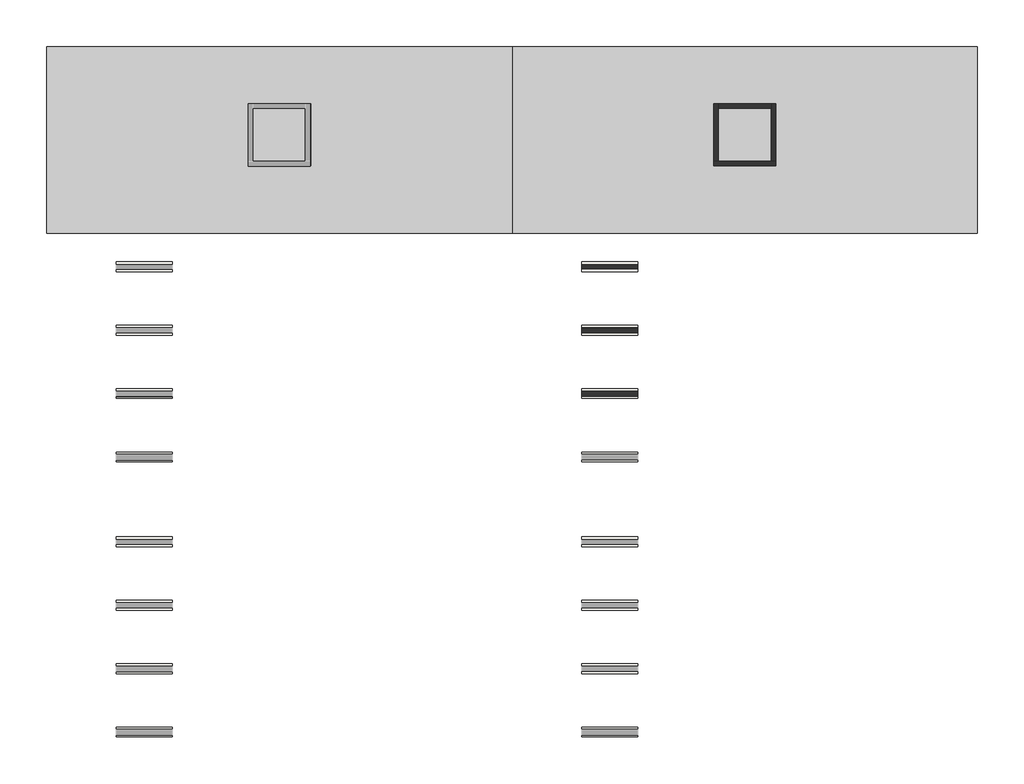
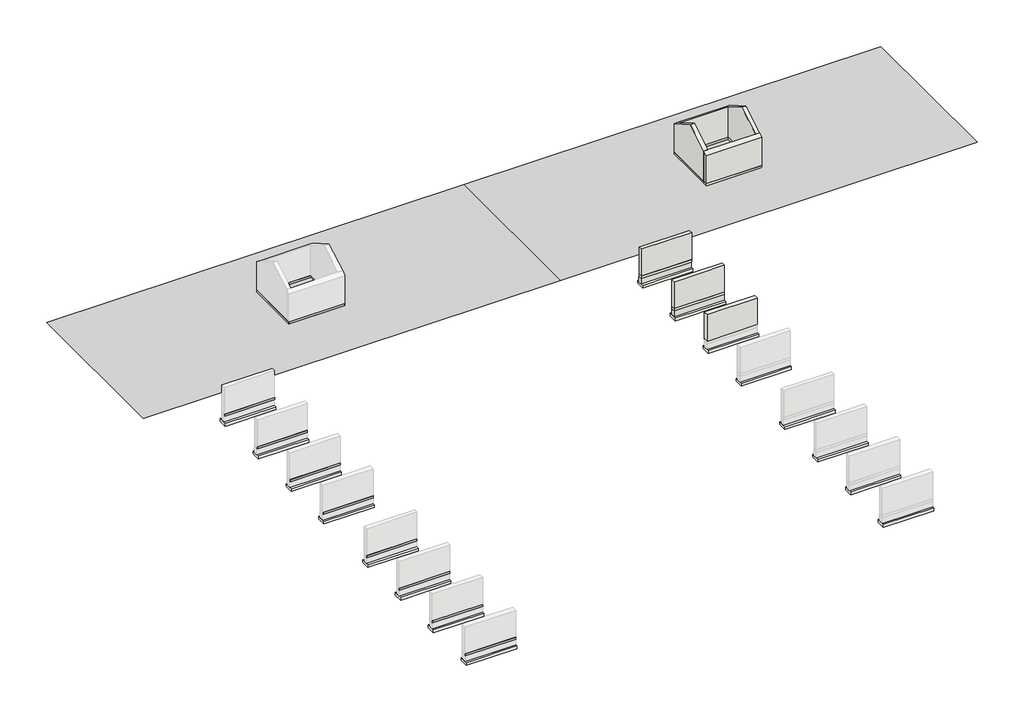
# One storey, part 2 of 2: 24 footings, 19 walls, 17 proxies.
"""IFC4 building model written with IfcOpenShell, lengths in millimetres."""

import ifcopenshell
import ifcopenshell.guid

model = None  # the IFC model being written
_history = None  # IfcOwnerHistory: only IFC2X3 demands one
_inside = {}  # id of a spatial element -> (the spatial element, [elements in it])
_under = {}  # id of a project, library or spatial element -> (it, [spatial elements below it])
_declared = {}  # id of a project -> (the project, [libraries it declares])
_typed = {}  # id of a type object -> (the type object, [elements of that type])
_made_of = {}  # id of a material, layer set ... -> (it, [elements and type objects made of it])


def new_model(schema):
    """Start an empty IFC model of exactly this schema.

    Asked for "IFC4X3", IfcOpenShell would pick the latest addendum, in which some entities
    have other attributes; the version numbers below select the first issue.
    IFC2X3 requires an IfcOwnerHistory on every rooted entity: one is made here for all.
    """
    global model, _history
    if schema == "IFC4X3":
        model = ifcopenshell.file(schema_version=(4, 3, 0, 0))
    else:
        model = ifcopenshell.file(schema=schema)
    _inside.clear()
    _under.clear()
    _declared.clear()
    _typed.clear()
    _made_of.clear()
    _history = None
    if model.schema == "IFC2X3":
        org = make("IfcOrganization", Name="unknown")
        user = make(
            "IfcPersonAndOrganization",
            ThePerson=make("IfcPerson", FamilyName="unknown"),
            TheOrganization=org,
        )
        app = make(
            "IfcApplication",
            ApplicationDeveloper=org,
            Version="unknown",
            ApplicationFullName="unknown",
            ApplicationIdentifier="unknown",
        )
        _history = make(
            "IfcOwnerHistory",
            OwningUser=user,
            OwningApplication=app,
            ChangeAction="ADDED",
            CreationDate=0,
        )
    return model


def make(cls, **values):
    """One entity of the class cls with the attributes given. An attribute that is None is left unset."""
    return model.create_entity(
        cls, **{name: value for name, value in values.items() if value is not None}
    )


def rooted(cls, **values):
    """An entity with a GlobalId (a new one), such as an element, a storey or a relation."""
    return make(cls, GlobalId=ifcopenshell.guid.new(), OwnerHistory=_history, **values)


def si_unit(unit_type, name, prefix=None):
    """IfcSIUnit, for example si_unit("LENGTHUNIT", "METRE", prefix="MILLI")."""
    return make("IfcSIUnit", UnitType=unit_type, Prefix=prefix, Name=name)


def assignment(units):
    """IfcUnitAssignment: the units of a project."""
    return None if units is None else make("IfcUnitAssignment", Units=units)


def point(xyz):
    """IfcCartesianPoint."""
    return None if xyz is None else make("IfcCartesianPoint", Coordinates=xyz)


def direction(xyz):
    """IfcDirection."""
    return None if xyz is None else make("IfcDirection", DirectionRatios=xyz)


def frame(location, z_axis=None, x_axis=None):
    """IfcAxis2Placement3D, a coordinate frame: its origin and axes. An axis left out is left unset."""
    return make(
        "IfcAxis2Placement3D",
        Location=point(location),
        Axis=direction(z_axis),
        RefDirection=direction(x_axis),
    )


def origin():
    """The frame at (0, 0, 0) with its axes left unset."""
    return frame((0.0, 0.0, 0.0))


def place(relative_to, where):
    """IfcLocalPlacement: puts the frame where relative to a parent placement (None: the world)."""
    return make(
        "IfcLocalPlacement", PlacementRelTo=relative_to, RelativePlacement=where
    )


def context(
    kind, dimensions, precision=None, world=None, true_north=None, identifier=None
):
    """IfcGeometricRepresentationContext, for example the 3D "Model" context."""
    return make(
        "IfcGeometricRepresentationContext",
        ContextIdentifier=identifier,
        ContextType=kind,
        CoordinateSpaceDimension=dimensions,
        Precision=precision,
        WorldCoordinateSystem=world,
        TrueNorth=true_north,
    )


def project(units=None, contexts=None):
    """IfcProject with its units and contexts."""
    return rooted(
        "IfcProject",
        Name="project",
        RepresentationContexts=contexts,
        UnitsInContext=assignment(units),
    )


def spatial(cls, under=None, at=None, **own):
    """A site, building, storey or space (cls), placed at a placement, below another one or the project."""
    s = rooted(cls, ObjectPlacement=at, **own)
    if under is not None:
        _under.setdefault(under.id(), (under, []))[1].append(s)
    return s


def polyline(points):
    """IfcPolyline through the points."""
    return make("IfcPolyline", Points=[point(p) for p in points])


def point_list(points):
    """IfcCartesianPointList2D or 3D."""
    cls = (
        "IfcCartesianPointList2D" if len(points[0]) == 2 else "IfcCartesianPointList3D"
    )
    return make(cls, CoordList=points)


def outline(outer, holes=None, kind="AREA"):
    """IfcArbitraryClosedProfileDef: a profile drawn as a closed curve; with holes, ...WithVoids."""
    if holes is None:
        return make("IfcArbitraryClosedProfileDef", ProfileType=kind, OuterCurve=outer)
    return make(
        "IfcArbitraryProfileDefWithVoids",
        ProfileType=kind,
        OuterCurve=outer,
        InnerCurves=holes,
    )


def extrude(swept, where, along, depth):
    """IfcExtrudedAreaSolid: the profile swept, set in the frame where, extruded along a direction by depth."""
    return make(
        "IfcExtrudedAreaSolid",
        SweptArea=swept,
        Position=where,
        ExtrudedDirection=direction(along),
        Depth=depth,
    )


def faces_of(points, faces, orient=None, outer=None):
    """IfcFace entities. A face is a list of loops; a loop is a list of indices into points, from 0.

    orient and outer hold one flag for each loop. By default every Orientation is true, the
    first loop of a face is its IfcFaceOuterBound and the others are IfcFaceBound.
    """
    made = []
    for i, loops in enumerate(faces):
        bounds = []
        for j, loop in enumerate(loops):
            is_outer = j == 0 if outer is None else outer[i][j]
            bounds.append(
                make(
                    "IfcFaceOuterBound" if is_outer else "IfcFaceBound",
                    Bound=make("IfcPolyLoop", Polygon=[points[k] for k in loop]),
                    Orientation=True if orient is None else orient[i][j],
                )
            )
        made.append(make("IfcFace", Bounds=bounds))
    return made


def faceted_brep(points, faces, orient=None, outer=None, voids=None):
    """IfcFacetedBrep: a solid bounded by flat faces; with voids (closed shells), ...WithVoids."""
    shared = [point(p) for p in points]
    hull = make("IfcClosedShell", CfsFaces=faces_of(shared, faces, orient, outer))
    if voids is None:
        return make("IfcFacetedBrep", Outer=hull)
    return make(
        "IfcFacetedBrepWithVoids",
        Outer=hull,
        Voids=[
            make(cls, CfsFaces=faces_of(shared, fs, o, b)) for cls, fs, o, b in voids
        ],
    )


def triangles(points, corners, closed=None, point_numbers=None):
    """IfcTriangulatedFaceSet: each triangle names its three corners, points numbered from 1."""
    return make(
        "IfcTriangulatedFaceSet",
        Coordinates=point_list(points),
        Closed=closed,
        CoordIndex=corners,
        PnIndex=point_numbers,
    )


def shape(context_of_items, identifier, shape_type, items):
    """IfcShapeRepresentation: the items that make up one representation, for example the "Body"."""
    return make(
        "IfcShapeRepresentation",
        ContextOfItems=context_of_items,
        RepresentationIdentifier=identifier,
        RepresentationType=shape_type,
        Items=items,
    )


def made_of(thing, what):
    """Note that an element or type object is made of a material, layer set ...; save() writes the relation."""
    if what is not None:
        _made_of.setdefault(what.id(), (what, []))[1].append(thing)
    return thing


def element(
    cls,
    number,
    at=None,
    inside=None,
    cuts=None,
    type_object=None,
    material=None,
    context=None,
    identifier="Body",
    shape_type=None,
    held_by="IfcProductDefinitionShape",
    body=None,
    shapes=None,
    **own,
):
    """One element of the class cls, such as IfcWall. Its Tag is "e" and its number.

    at: its placement. inside: the storey or other place that contains it. cuts: it is an
    opening in that element (IfcRelVoidsElement). A single representation is given by context,
    identifier, shape_type and body (its items); several are given by shapes. held_by: the class
    of the entity that holds the representations. save() writes the other relations.
    """
    e = rooted(cls, Tag="e%d" % number, ObjectPlacement=at, **own)
    if body is not None:
        shapes = [shape(context, identifier, shape_type, body)]
    if shapes is not None:
        e.Representation = make(held_by, Representations=shapes)
    if inside is not None:
        _inside.setdefault(inside.id(), (inside, []))[1].append(e)
    if cuts is not None:
        rooted(
            "IfcRelVoidsElement", RelatingBuildingElement=cuts, RelatedOpeningElement=e
        )
    if type_object is not None:
        _typed.setdefault(type_object.id(), (type_object, []))[1].append(e)
    return made_of(e, material)


def aggregate(whole, parts):
    """IfcRelAggregates: a whole, such as a stair, and the parts it consists of."""
    return rooted("IfcRelAggregates", RelatingObject=whole, RelatedObjects=parts)


def save(model, path):
    """Write the relations noted so far, then the file.

    IfcRelAggregates (storeys below a building ...), IfcRelContainedInSpatialStructure (elements
    in a storey), IfcRelDefinesByType, IfcRelAssociatesMaterial and IfcRelDeclares: one each for
    every whole, place, type object, material and project.
    """
    for whole, parts in _under.values():
        aggregate(whole, parts)
    for where, things in _inside.values():
        rooted(
            "IfcRelContainedInSpatialStructure",
            RelatedElements=things,
            RelatingStructure=where,
        )
    for kind, things in _typed.values():
        rooted("IfcRelDefinesByType", RelatedObjects=things, RelatingType=kind)
    for what, things in _made_of.values():
        rooted("IfcRelAssociatesMaterial", RelatedObjects=things, RelatingMaterial=what)
    for by, libraries in _declared.values():
        rooted("IfcRelDeclares", RelatingContext=by, RelatedDefinitions=libraries)
    model.write(path)


model = new_model("IFC4")

# Units and contexts
model_context = context("Model", 3, world=origin())
ifc_project = project(units=[si_unit("LENGTHUNIT", "METRE", prefix="MILLI")], contexts=[model_context])

# Site, building, storey
site = spatial("IfcSite", under=ifc_project)
building = spatial("IfcBuilding", under=site)
storey = spatial("IfcBuildingStorey", under=building, Elevation=-900.0)

# Proxies
placement = place(None, origin())
element("IfcBuildingElementProxy", 1, Name="Slab Edges", at=placement, inside=storey, context=model_context, shape_type="Brep", body=[
    faceted_brep([(30852.1158978, 58986.4236863, 0.0), (30827.1158978, 59011.4236863, 0.0), (30827.1158978, 53961.4236863, 0.0), (30852.1158978, 53986.4236863, 0.0), (30852.1158978, 58986.4236863, -275.0), (30852.1158978, 53986.4236863, -275.0), (30827.1158978, 59011.4236863, -275.0), (30827.1158978, 53961.4236863, -275.0), (35877.1158978, 53961.4236863, 0.0), (35852.1158978, 53986.4236863, 0.0), (35852.1158978, 53986.4236863, -275.0), (35877.1158978, 53961.4236863, -275.0), (35877.1158978, 59011.4236863, 0.0), (35852.1158978, 58986.4236863, 0.0), (35852.1158978, 58986.4236863, -275.0), (35877.1158978, 59011.4236863, -275.0)], [[[0, 1, 2, 3]], [[4, 0, 3, 5]], [[6, 4, 5, 7]], [[1, 6, 7, 2]], [[3, 2, 8, 9]], [[5, 3, 9, 10]], [[7, 5, 10, 11]], [[2, 7, 11, 8]], [[9, 8, 12, 13]], [[10, 9, 13, 14]], [[11, 10, 14, 15]], [[8, 11, 15, 12]], [[1, 0, 13, 12]], [[0, 4, 14, 13]], [[4, 6, 15, 14]], [[6, 1, 12, 15]]]),
])
element("IfcBuildingElementProxy", 2, Name="Wall Sweeps", at=placement, inside=storey, context=model_context, shape_type="Brep", body=[
    faceted_brep([(30403.1158978, 53537.4236863, 5.0), (30427.1158978, 53561.4236863, 5.0), (30427.1158978, 53561.4236863, -225.0), (30398.1158978, 53532.4236863, -225.0), (30398.1158978, 53532.4236863, -3.0), (36277.1158978, 53537.4236863, 5.0), (36277.1158978, 53532.4236863, -3.0), (36277.1158978, 53532.4236863, -225.0), (36277.1158978, 53561.4236863, -225.0), (36277.1158978, 53561.4236863, 5.0)], [[[0, 1, 2, 3, 4]], [[5, 6, 7, 8, 9]], [[0, 4, 6, 5]], [[4, 3, 7, 6]], [[3, 2, 8, 7]], [[2, 1, 9, 8]], [[1, 0, 5, 9]]]),
])
element("IfcBuildingElementProxy", 3, Name="Wall Sweeps", at=placement, inside=storey, context=model_context, shape_type="Brep", body=[
    faceted_brep([(30403.1158978, 59435.4236863, 5.0), (30427.1158978, 59411.4236863, 5.0), (30427.1158978, 59411.4236863, -225.0), (30398.1158978, 59440.4236863, -225.0), (30398.1158978, 59440.4236863, -3.0), (30403.1158978, 53537.4236863, 5.0), (30398.1158978, 53532.4236863, -3.0), (30398.1158978, 53532.4236863, -225.0), (30427.1158978, 53561.4236863, -225.0), (30427.1158978, 53561.4236863, 5.0)], [[[0, 1, 2, 3, 4]], [[5, 6, 7, 8, 9]], [[0, 4, 6, 5]], [[4, 3, 7, 6]], [[3, 2, 8, 7]], [[2, 1, 9, 8]], [[1, 0, 5, 9]]]),
])
element("IfcBuildingElementProxy", 4, Name="Building Element Proxy", at=placement, inside=storey, context=model_context, shape_type="Tessellation", body=[
    triangles([(11352.1163818, 64832.4240967, -235.0312753), (11352.1163818, 47190.421875, -235.0312753), (55352.1143921, 47190.421875, -235.0312753), (55352.1143921, 64832.4240967, -235.0312753)], [[1, 2, 4], [3, 4, 2]], closed=False),
])
element("IfcBuildingElementProxy", 5, Name="Wall Sweeps", at=placement, inside=storey, context=model_context, shape_type="Brep", body=[
    faceted_brep([(35877.1158978, 59435.4236863, 5.0), (35877.1158978, 59411.4236863, 5.0), (35877.1158978, 59411.4236863, -225.0), (35877.1158978, 59440.4236863, -225.0), (35877.1158978, 59440.4236863, -3.0), (30403.1158978, 59435.4236863, 5.0), (30398.1158978, 59440.4236863, -3.0), (30398.1158978, 59440.4236863, -225.0), (30427.1158978, 59411.4236863, -225.0), (30427.1158978, 59411.4236863, 5.0)], [[[0, 1, 2, 3, 4]], [[5, 6, 7, 8, 9]], [[0, 4, 6, 5]], [[4, 3, 7, 6]], [[3, 2, 8, 7]], [[2, 1, 9, 8]], [[1, 0, 5, 9]]]),
])
element("IfcBuildingElementProxy", 6, Name="Wall Sweeps", at=placement, inside=storey, context=model_context, shape_type="SweptSolid", body=[
    extrude(outline(polyline([(0.0, 36301.1158978), (0.0, 36277.1158978), (-230.0, 36277.1158978), (-230.0, 36306.1158978), (-8.0, 36306.1158978), (0.0, 36301.1158978)])), frame((0.0, 53561.4236863, 0.0), z_axis=(0.0, 1.0, 0.0), x_axis=(0.0, 0.0, 1.0)), (0.0, 0.0, 1.0), 5850.0),
])
element("IfcBuildingElementProxy", 7, Name="Wall Sweeps", at=placement, inside=storey, context=model_context, shape_type="SweptSolid", body=[
    extrude(outline(polyline([(-273.5763137, 5.0), (-249.5763137, 5.0), (-249.5763137, -225.0), (-278.5763137, -225.0), (-278.5763137, -3.0), (-273.5763137, 5.0)])), frame((17930.0129216, 0.0, 0.0), z_axis=(1.0, 0.0, 0.0), x_axis=(0.0, 1.0, 0.0)), (0.0, 0.0, 1.0), 5310.0),
])
element("IfcBuildingElementProxy", 8, Name="Wall Sweeps", at=placement, inside=storey, context=model_context, shape_type="SweptSolid", body=[
    extrude(outline(polyline([(5751.4236863, 5.0), (5775.4236863, 5.0), (5775.4236863, -225.0), (5746.4236863, -225.0), (5746.4236863, -3.0), (5751.4236863, 5.0)])), frame((17930.0129216, 0.0, 0.0), z_axis=(1.0, 0.0, 0.0), x_axis=(0.0, 1.0, 0.0)), (0.0, 0.0, 1.0), 5310.0),
])
element("IfcBuildingElementProxy", 9, Name="Wall Sweeps", at=placement, inside=storey, context=model_context, shape_type="SweptSolid", body=[
    extrude(outline(polyline([(11776.4236863, 5.0), (11800.4236863, 5.0), (11800.4236863, -225.0), (11771.4236863, -225.0), (11771.4236863, -3.0), (11776.4236863, 5.0)])), frame((17930.0129216, 0.0, 0.0), z_axis=(1.0, 0.0, 0.0), x_axis=(0.0, 1.0, 0.0)), (0.0, 0.0, 1.0), 5310.0),
])
element("IfcBuildingElementProxy", 10, Name="Wall Sweeps", at=placement, inside=storey, context=model_context, shape_type="SweptSolid", body=[
    extrude(outline(polyline([(25726.4236863, 5.0), (25750.4236863, 5.0), (25750.4236863, -225.0), (25721.4236863, -225.0), (25721.4236863, -3.0), (25726.4236863, 5.0)])), frame((17930.0129216, 0.0, 0.0), z_axis=(1.0, 0.0, 0.0), x_axis=(0.0, 1.0, 0.0)), (0.0, 0.0, 1.0), 5310.0),
])
element("IfcBuildingElementProxy", 11, Name="Wall Sweeps", at=placement, inside=storey, context=model_context, shape_type="SweptSolid", body=[
    extrude(outline(polyline([(31751.4236863, 5.0), (31775.4236863, 5.0), (31775.4236863, -225.0), (31746.4236863, -225.0), (31746.4236863, -3.0), (31751.4236863, 5.0)])), frame((17930.0129216, 0.0, 0.0), z_axis=(1.0, 0.0, 0.0), x_axis=(0.0, 1.0, 0.0)), (0.0, 0.0, 1.0), 5310.0),
])
element("IfcBuildingElementProxy", 12, Name="Wall Sweeps", at=placement, inside=storey, context=model_context, shape_type="SweptSolid", body=[
    extrude(outline(polyline([(37776.4236863, 5.0), (37800.4236863, 5.0), (37800.4236863, -225.0), (37771.4236863, -225.0), (37771.4236863, -3.0), (37776.4236863, 5.0)])), frame((17930.0129216, 0.0, 0.0), z_axis=(1.0, 0.0, 0.0), x_axis=(0.0, 1.0, 0.0)), (0.0, 0.0, 1.0), 5310.0),
])
element("IfcBuildingElementProxy", 13, Name="Wall Sweeps", at=placement, inside=storey, context=model_context, shape_type="SweptSolid", body=[
    extrude(outline(polyline([(43781.4236863, 5.0), (43805.4236863, 5.0), (43805.4236863, -225.0), (43776.4236863, -225.0), (43776.4236863, -3.0), (43781.4236863, 5.0)])), frame((17930.0129216, 0.0, 0.0), z_axis=(1.0, 0.0, 0.0), x_axis=(0.0, 1.0, 0.0)), (0.0, 0.0, 1.0), 5310.0),
])
element("IfcBuildingElementProxy", 14, Name="Wall Sweeps", at=placement, inside=storey, context=model_context, shape_type="SweptSolid", body=[
    extrude(outline(polyline([(17771.4236863, 5.0), (17795.4236863, 5.0), (17795.4236863, -225.0), (17766.4236863, -225.0), (17766.4236863, -3.0), (17771.4236863, 5.0)])), frame((17930.0129216, 0.0, 0.0), z_axis=(1.0, 0.0, 0.0), x_axis=(0.0, 1.0, 0.0)), (0.0, 0.0, 1.0), 5310.0),
])
element("IfcBuildingElementProxy", 15, Name="Slab Edges", at=placement, inside=storey, context=model_context, shape_type="Brep", body=[
    faceted_brep([(74852.1158978, 58986.4236863, 0.0), (74827.1158978, 59011.4236863, 0.0), (74827.1158978, 53961.4236863, 0.0), (74852.1158978, 53986.4236863, 0.0), (74852.1158978, 58986.4236863, -275.0), (74852.1158978, 53986.4236863, -275.0), (74827.1158978, 59011.4236863, -275.0), (74827.1158978, 53961.4236863, -275.0), (79877.1158978, 53961.4236863, 0.0), (79852.1158978, 53986.4236863, 0.0), (79852.1158978, 53986.4236863, -275.0), (79877.1158978, 53961.4236863, -275.0), (79877.1158978, 59011.4236863, 0.0), (79852.1158978, 58986.4236863, 0.0), (79852.1158978, 58986.4236863, -275.0), (79877.1158978, 59011.4236863, -275.0)], [[[0, 1, 2, 3]], [[4, 0, 3, 5]], [[6, 4, 5, 7]], [[1, 6, 7, 2]], [[3, 2, 8, 9]], [[5, 3, 9, 10]], [[7, 5, 10, 11]], [[2, 7, 11, 8]], [[9, 8, 12, 13]], [[10, 9, 13, 14]], [[11, 10, 14, 15]], [[8, 11, 15, 12]], [[1, 0, 13, 12]], [[0, 4, 14, 13]], [[4, 6, 15, 14]], [[6, 1, 12, 15]]]),
])
element("IfcBuildingElementProxy", 16, Name="Building Element Proxy", at=placement, inside=storey, context=model_context, shape_type="Tessellation", body=[
    triangles([(55352.1143921, 64832.4240967, -235.0312753), (55352.1143921, 47190.421875, -235.0312753), (99352.1124023, 47190.421875, -235.0312753), (99352.1124023, 64832.4240967, -235.0312753)], [[1, 2, 4], [3, 4, 2]], closed=False),
])
element("IfcBuildingElementProxy", 17, Name="Slab Edge_HardCore Fill_A1", ObjectType="Slab Edge_HardCore Fill_A1", at=placement, inside=storey, context=model_context, shape_type="Brep", body=[
    faceted_brep([(74867.1158978, 58971.4236863, -526.0), (75340.1158978, 58498.4236863, -526.0), (79364.1158978, 58498.4236863, -526.0), (79837.1158978, 58971.4236863, -526.0), (74867.1158978, 58971.4236863, -900.0), (79837.1158978, 58971.4236863, -900.0), (75103.1158978, 58735.4236863, -900.0), (79601.1158978, 58735.4236863, -900.0), (79364.1158978, 54474.4236863, -526.0), (79837.1158978, 54001.4236863, -526.0), (79837.1158978, 54001.4236863, -900.0), (79601.1158978, 54237.4236863, -900.0), (75340.1158978, 54474.4236863, -526.0), (74867.1158978, 54001.4236863, -526.0), (74867.1158978, 54001.4236863, -900.0), (75103.1158978, 54237.4236863, -900.0), (75103.1158978, 54237.4236863, -767.0), (75103.1158978, 58735.4236863, -767.0), (79601.1158978, 58735.4236863, -767.0), (79601.1158978, 54237.4236863, -767.0)], [[[0, 1, 2, 3]], [[4, 0, 3, 5]], [[6, 4, 5, 7]], [[3, 2, 8, 9]], [[5, 3, 9, 10]], [[7, 5, 10, 11]], [[9, 8, 12, 13]], [[10, 9, 13, 14]], [[11, 10, 14, 15]], [[13, 12, 1, 0]], [[14, 13, 0, 4]], [[15, 14, 4, 6]], [[16, 15, 6, 17]], [[12, 16, 17, 1]], [[17, 6, 7, 18]], [[1, 17, 18, 2]], [[18, 7, 11, 19]], [[2, 18, 19, 8]], [[19, 11, 15, 16]], [[8, 19, 16, 12]]]),
])

# Footings
element("IfcFooting", 18, ObjectType="1320x440mm RC Foundation", at=placement, inside=storey, context=model_context, shape_type="Brep", body=[
    faceted_brep([(30189.9158978, 53324.2236863, -900.0), (36514.3158978, 53324.2236863, -900.0), (36514.3158978, 54238.6236863, -900.0), (35599.9158978, 54238.6236863, -900.0), (31104.3158978, 54238.6236863, -900.0), (30189.9158978, 54238.6236863, -900.0), (30189.9158978, 54238.6236863, -1204.8), (36514.3158978, 54238.6236863, -1204.8), (35599.9158978, 54238.6236863, -1204.8), (31104.3158978, 54238.6236863, -1204.8), (30189.9158978, 53324.2236863, -1204.8), (36514.3158978, 53324.2236863, -1204.8)], [[[0, 1, 2, 3, 4, 5]], [[6, 5, 4, 3, 2, 7, 8, 9]], [[10, 6, 9, 8, 7, 11]], [[0, 10, 11, 1]], [[0, 5, 6, 10]], [[2, 1, 11, 7]]]),
])
element("IfcFooting", 19, ObjectType="1320x440mm RC Foundation", at=placement, inside=storey, context=model_context, shape_type="Brep", body=[
    faceted_brep([(31104.3158978, 59648.6236863, -900.0), (30189.9158978, 59648.6236863, -900.0), (30189.9158978, 54238.6236863, -900.0), (31104.3158978, 54238.6236863, -900.0), (31104.3158978, 58734.2236863, -900.0), (31104.3158978, 59648.6236863, -1204.8), (31104.3158978, 54238.6236863, -1204.8), (31104.3158978, 58734.2236863, -1204.8), (30189.9158978, 59648.6236863, -1204.8), (30189.9158978, 54238.6236863, -1204.8)], [[[0, 1, 2, 3, 4]], [[5, 0, 4, 3, 6, 7]], [[8, 5, 7, 6, 9]], [[1, 8, 9, 2]], [[3, 2, 9, 6]], [[1, 0, 5, 8]]]),
])
element("IfcFooting", 20, ObjectType="1320x440mm RC Foundation", at=placement, inside=storey, context=model_context, shape_type="Brep", body=[
    faceted_brep([(36514.3158978, 58734.2236863, -900.0), (36514.3158978, 59648.6236863, -900.0), (31104.3158978, 59648.6236863, -900.0), (31104.3158978, 58734.2236863, -900.0), (35599.9158978, 58734.2236863, -900.0), (36514.3158978, 58734.2236863, -1204.8), (31104.3158978, 58734.2236863, -1204.8), (35599.9158978, 58734.2236863, -1204.8), (36514.3158978, 59648.6236863, -1204.8), (31104.3158978, 59648.6236863, -1204.8)], [[[0, 1, 2, 3, 4]], [[5, 0, 4, 3, 6, 7]], [[8, 5, 7, 6, 9]], [[1, 8, 9, 2]], [[1, 0, 5, 8]], [[3, 2, 9, 6]]]),
])
element("IfcFooting", 21, ObjectType="1320x440mm RC Foundation", at=placement, inside=storey, context=model_context, shape_type="SweptSolid", body=[
    extrude(outline(polyline([(36514.3158978, 54238.6236863), (35599.9158978, 54238.6236863), (35599.9158978, 58734.2236863), (36514.3158978, 58734.2236863), (36514.3158978, 54238.6236863)])), frame((0.0, 0.0, -1204.8), z_axis=(0.0, 0.0, 1.0), x_axis=(1.0, 0.0, 0.0)), (0.0, 0.0, 1.0), 304.8),
])
element("IfcFooting", 22, ObjectType="1320x440mm RC Foundation", at=placement, inside=storey, context=model_context, shape_type="SweptSolid", body=[
    extrude(outline(polyline([(17930.0129216, -436.7763137), (17930.0129216, 477.6236863), (23240.0129216, 477.6236863), (23240.0129216, -436.7763137), (17930.0129216, -436.7763137)])), frame((0.0, 0.0, -1204.8), z_axis=(0.0, 0.0, 1.0), x_axis=(1.0, 0.0, 0.0)), (0.0, 0.0, 1.0), 304.8),
])
element("IfcFooting", 23, ObjectType="1320x440mm RC Foundation", at=placement, inside=storey, context=model_context, shape_type="SweptSolid", body=[
    extrude(outline(polyline([(17930.0129216, 5563.2236863), (17930.0129216, 6477.6236863), (23240.0129216, 6477.6236863), (23240.0129216, 5563.2236863), (17930.0129216, 5563.2236863)])), frame((0.0, 0.0, -1204.8), z_axis=(0.0, 0.0, 1.0), x_axis=(1.0, 0.0, 0.0)), (0.0, 0.0, 1.0), 304.8),
])
element("IfcFooting", 24, ObjectType="1320x440mm RC Foundation", at=placement, inside=storey, context=model_context, shape_type="SweptSolid", body=[
    extrude(outline(polyline([(17930.0129216, 11563.2236863), (17930.0129216, 12477.6236863), (23240.0129216, 12477.6236863), (23240.0129216, 11563.2236863), (17930.0129216, 11563.2236863)])), frame((0.0, 0.0, -1204.8), z_axis=(0.0, 0.0, 1.0), x_axis=(1.0, 0.0, 0.0)), (0.0, 0.0, 1.0), 304.8),
])
element("IfcFooting", 25, ObjectType="1320x440mm RC Foundation", at=placement, inside=storey, context=model_context, shape_type="SweptSolid", body=[
    extrude(outline(polyline([(17930.0129216, 17563.2236863), (17930.0129216, 18477.6236863), (23240.0129216, 18477.6236863), (23240.0129216, 17563.2236863), (17930.0129216, 17563.2236863)])), frame((0.0, 0.0, -1204.8), z_axis=(0.0, 0.0, 1.0), x_axis=(1.0, 0.0, 0.0)), (0.0, 0.0, 1.0), 304.8),
])
element("IfcFooting", 26, ObjectType="1320x440mm RC Foundation", at=placement, inside=storey, context=model_context, shape_type="SweptSolid", body=[
    extrude(outline(polyline([(17930.0129216, 25563.2236863), (17930.0129216, 26477.6236863), (23240.0129216, 26477.6236863), (23240.0129216, 25563.2236863), (17930.0129216, 25563.2236863)])), frame((0.0, 0.0, -1204.8), z_axis=(0.0, 0.0, 1.0), x_axis=(1.0, 0.0, 0.0)), (0.0, 0.0, 1.0), 304.8),
])
element("IfcFooting", 27, ObjectType="1320x440mm RC Foundation", at=placement, inside=storey, context=model_context, shape_type="SweptSolid", body=[
    extrude(outline(polyline([(17930.0129216, 31563.2236863), (17930.0129216, 32477.6236863), (23240.0129216, 32477.6236863), (23240.0129216, 31563.2236863), (17930.0129216, 31563.2236863)])), frame((0.0, 0.0, -1204.8), z_axis=(0.0, 0.0, 1.0), x_axis=(1.0, 0.0, 0.0)), (0.0, 0.0, 1.0), 304.8),
])
element("IfcFooting", 28, ObjectType="1320x440mm RC Foundation", at=placement, inside=storey, context=model_context, shape_type="SweptSolid", body=[
    extrude(outline(polyline([(17930.0129216, 37563.2236863), (17930.0129216, 38477.6236863), (23240.0129216, 38477.6236863), (23240.0129216, 37563.2236863), (17930.0129216, 37563.2236863)])), frame((0.0, 0.0, -1204.8), z_axis=(0.0, 0.0, 1.0), x_axis=(1.0, 0.0, 0.0)), (0.0, 0.0, 1.0), 304.8),
])
element("IfcFooting", 29, ObjectType="1320x440mm RC Foundation", at=placement, inside=storey, context=model_context, shape_type="SweptSolid", body=[
    extrude(outline(polyline([(17930.0129216, 43563.2236863), (17930.0129216, 44477.6236863), (23240.0129216, 44477.6236863), (23240.0129216, 43563.2236863), (17930.0129216, 43563.2236863)])), frame((0.0, 0.0, -1204.8), z_axis=(0.0, 0.0, 1.0), x_axis=(1.0, 0.0, 0.0)), (0.0, 0.0, 1.0), 304.8),
])
element("IfcFooting", 30, ObjectType="1320x440mm RC Foundation", at=placement, inside=storey, context=model_context, shape_type="SweptSolid", body=[
    extrude(outline(polyline([(61930.0129216, -436.7763137), (61930.0129216, 477.6236863), (67240.0129216, 477.6236863), (67240.0129216, -436.7763137), (61930.0129216, -436.7763137)])), frame((0.0, 0.0, -1204.8), z_axis=(0.0, 0.0, 1.0), x_axis=(1.0, 0.0, 0.0)), (0.0, 0.0, 1.0), 304.8),
])
element("IfcFooting", 31, ObjectType="1320x440mm RC Foundation", at=placement, inside=storey, context=model_context, shape_type="SweptSolid", body=[
    extrude(outline(polyline([(61930.0129216, 5563.2236863), (61930.0129216, 6477.6236863), (67240.0129216, 6477.6236863), (67240.0129216, 5563.2236863), (61930.0129216, 5563.2236863)])), frame((0.0, 0.0, -1204.8), z_axis=(0.0, 0.0, 1.0), x_axis=(1.0, 0.0, 0.0)), (0.0, 0.0, 1.0), 304.8),
])
element("IfcFooting", 32, ObjectType="1320x440mm RC Foundation", at=placement, inside=storey, context=model_context, shape_type="SweptSolid", body=[
    extrude(outline(polyline([(61930.0129216, 11563.2236863), (61930.0129216, 12477.6236863), (67240.0129216, 12477.6236863), (67240.0129216, 11563.2236863), (61930.0129216, 11563.2236863)])), frame((0.0, 0.0, -1204.8), z_axis=(0.0, 0.0, 1.0), x_axis=(1.0, 0.0, 0.0)), (0.0, 0.0, 1.0), 304.8),
])
element("IfcFooting", 33, ObjectType="1320x440mm RC Foundation", at=placement, inside=storey, context=model_context, shape_type="SweptSolid", body=[
    extrude(outline(polyline([(61930.0129216, 17563.2236863), (61930.0129216, 18477.6236863), (67240.0129216, 18477.6236863), (67240.0129216, 17563.2236863), (61930.0129216, 17563.2236863)])), frame((0.0, 0.0, -1204.8), z_axis=(0.0, 0.0, 1.0), x_axis=(1.0, 0.0, 0.0)), (0.0, 0.0, 1.0), 304.8),
])
element("IfcFooting", 34, ObjectType="1320x440mm RC Foundation", at=placement, inside=storey, context=model_context, shape_type="SweptSolid", body=[
    extrude(outline(polyline([(61930.0129216, 25563.2236863), (61930.0129216, 26477.6236863), (67240.0129216, 26477.6236863), (67240.0129216, 25563.2236863), (61930.0129216, 25563.2236863)])), frame((0.0, 0.0, -1204.8), z_axis=(0.0, 0.0, 1.0), x_axis=(1.0, 0.0, 0.0)), (0.0, 0.0, 1.0), 304.8),
])
element("IfcFooting", 35, ObjectType="1320x440mm RC Foundation", at=placement, inside=storey, context=model_context, shape_type="SweptSolid", body=[
    extrude(outline(polyline([(61930.0129216, 31563.2236863), (61930.0129216, 32477.6236863), (67240.0129216, 32477.6236863), (67240.0129216, 31563.2236863), (61930.0129216, 31563.2236863)])), frame((0.0, 0.0, -1204.8), z_axis=(0.0, 0.0, 1.0), x_axis=(1.0, 0.0, 0.0)), (0.0, 0.0, 1.0), 304.8),
])
element("IfcFooting", 36, ObjectType="1320x440mm RC Foundation", at=placement, inside=storey, context=model_context, shape_type="SweptSolid", body=[
    extrude(outline(polyline([(61930.0129216, 37563.2236863), (61930.0129216, 38477.6236863), (67240.0129216, 38477.6236863), (67240.0129216, 37563.2236863), (61930.0129216, 37563.2236863)])), frame((0.0, 0.0, -1204.8), z_axis=(0.0, 0.0, 1.0), x_axis=(1.0, 0.0, 0.0)), (0.0, 0.0, 1.0), 304.8),
])
element("IfcFooting", 37, ObjectType="1320x440mm RC Foundation", at=placement, inside=storey, context=model_context, shape_type="SweptSolid", body=[
    extrude(outline(polyline([(61930.0129216, 43563.2236863), (61930.0129216, 44477.6236863), (67240.0129216, 44477.6236863), (67240.0129216, 43563.2236863), (61930.0129216, 43563.2236863)])), frame((0.0, 0.0, -1204.8), z_axis=(0.0, 0.0, 1.0), x_axis=(1.0, 0.0, 0.0)), (0.0, 0.0, 1.0), 304.8),
])
element("IfcFooting", 38, ObjectType="1320x440mm RC Foundation", at=placement, inside=storey, context=model_context, shape_type="Brep", body=[
    faceted_brep([(74189.9158978, 53324.2236863, -900.0), (80514.3158978, 53324.2236863, -900.0), (80514.3158978, 54238.6236863, -900.0), (79599.9158978, 54238.6236863, -900.0), (75104.3158978, 54238.6236863, -900.0), (74189.9158978, 54238.6236863, -900.0), (74189.9158978, 54238.6236863, -1204.8), (80514.3158978, 54238.6236863, -1204.8), (79599.9158978, 54238.6236863, -1204.8), (75104.3158978, 54238.6236863, -1204.8), (74189.9158978, 53324.2236863, -1204.8), (80514.3158978, 53324.2236863, -1204.8)], [[[0, 1, 2, 3, 4, 5]], [[6, 5, 4, 3, 2, 7, 8, 9]], [[10, 6, 9, 8, 7, 11]], [[0, 10, 11, 1]], [[0, 5, 6, 10]], [[2, 1, 11, 7]]]),
])
element("IfcFooting", 39, ObjectType="1320x440mm RC Foundation", at=placement, inside=storey, context=model_context, shape_type="Brep", body=[
    faceted_brep([(75104.3158978, 59648.6236863, -900.0), (74189.9158978, 59648.6236863, -900.0), (74189.9158978, 54238.6236863, -900.0), (75104.3158978, 54238.6236863, -900.0), (75104.3158978, 58734.2236863, -900.0), (75104.3158978, 59648.6236863, -1204.8), (75104.3158978, 54238.6236863, -1204.8), (75104.3158978, 58734.2236863, -1204.8), (74189.9158978, 59648.6236863, -1204.8), (74189.9158978, 54238.6236863, -1204.8)], [[[0, 1, 2, 3, 4]], [[5, 0, 4, 3, 6, 7]], [[8, 5, 7, 6, 9]], [[1, 8, 9, 2]], [[3, 2, 9, 6]], [[1, 0, 5, 8]]]),
])
element("IfcFooting", 40, ObjectType="1320x440mm RC Foundation", at=placement, inside=storey, context=model_context, shape_type="Brep", body=[
    faceted_brep([(80514.3158978, 58734.2236863, -900.0), (80514.3158978, 59648.6236863, -900.0), (75104.3158978, 59648.6236863, -900.0), (75104.3158978, 58734.2236863, -900.0), (79599.9158978, 58734.2236863, -900.0), (80514.3158978, 58734.2236863, -1204.8), (75104.3158978, 58734.2236863, -1204.8), (79599.9158978, 58734.2236863, -1204.8), (80514.3158978, 59648.6236863, -1204.8), (75104.3158978, 59648.6236863, -1204.8)], [[[0, 1, 2, 3, 4]], [[5, 0, 4, 3, 6, 7]], [[8, 5, 7, 6, 9]], [[1, 8, 9, 2]], [[1, 0, 5, 8]], [[3, 2, 9, 6]]]),
])
element("IfcFooting", 41, ObjectType="1320x440mm RC Foundation", at=placement, inside=storey, context=model_context, shape_type="SweptSolid", body=[
    extrude(outline(polyline([(80514.3158978, 54238.6236863), (79599.9158978, 54238.6236863), (79599.9158978, 58734.2236863), (80514.3158978, 58734.2236863), (80514.3158978, 54238.6236863)])), frame((0.0, 0.0, -1204.8), z_axis=(0.0, 0.0, 1.0), x_axis=(1.0, 0.0, 0.0)), (0.0, 0.0, 1.0), 304.8),
])

# Walls
element("IfcWall", 42, at=placement, inside=storey, context=model_context, shape_type="Brep", body=[
    faceted_brep([(61930.0129216, 31775.4236863, 5.0), (67240.0129216, 31775.4236863, 5.0), (67240.0129216, 31775.4236863, 3000.0), (61930.0129216, 31775.4236863, 3000.0), (61930.0129216, 32240.4236863, 5.0), (61930.0129216, 32240.4236863, 14.5), (61930.0129216, 32240.4236863, 134.5), (61930.0129216, 32240.4236863, 3000.0), (67240.0129216, 32240.4236863, 3000.0), (67240.0129216, 32240.4236863, 134.5), (67240.0129216, 32240.4236863, 14.5), (67240.0129216, 32240.4236863, 5.0), (61930.0129216, 32225.4236863, 5.0), (67240.0129216, 32225.4236863, 5.0)], [[[0, 1, 2, 3]], [[4, 5, 6, 7, 8, 9, 10, 11]], [[1, 0, 12, 4, 11, 13]], [[2, 1, 13, 11, 10, 9, 8]], [[3, 2, 8, 7]], [[0, 3, 7, 6, 5, 4, 12]]]),
])
element("IfcWall", 43, at=placement, inside=storey, context=model_context, shape_type="Brep", body=[
    faceted_brep([(61930.0129216, 37800.4236863, -900.0), (67240.0129216, 37800.4236863, -900.0), (67240.0129216, 37800.4236863, -278.0), (61930.0129216, 37800.4236863, -278.0), (61930.0129216, 38240.4236863, -900.0), (61930.0129216, 38240.4236863, -278.0), (67240.0129216, 38240.4236863, -278.0), (67240.0129216, 38240.4236863, -900.0), (67240.0129216, 38200.4236863, -278.0), (61930.0129216, 38200.4236863, -278.0)], [[[0, 1, 2, 3]], [[4, 5, 6, 7]], [[1, 0, 4, 7]], [[2, 1, 7, 6, 8]], [[3, 2, 8, 6, 5, 9]], [[0, 3, 9, 5, 4]]]),
])
element("IfcWall", 44, at=placement, inside=storey, context=model_context, shape_type="SweptSolid", body=[
    extrude(outline(polyline([(67240.0129216, 37800.4236863), (61930.0129216, 37800.4236863), (61930.0129216, 38200.4236863), (67240.0129216, 38200.4236863), (67240.0129216, 37800.4236863)])), frame((0.0, 0.0, -278.0), z_axis=(0.0, 0.0, 1.0), x_axis=(1.0, 0.0, 0.0)), (0.0, 0.0, 1.0), 283.0),
])
element("IfcWall", 45, at=placement, inside=storey, context=model_context, shape_type="Brep", body=[
    faceted_brep([(61930.0129216, 37800.4236863, 5.0), (67240.0129216, 37800.4236863, 5.0), (67240.0129216, 37800.4236863, 3000.0), (61930.0129216, 37800.4236863, 3000.0), (61930.0129216, 38215.4236863, 5.0), (61930.0129216, 38215.4236863, 14.5), (61930.0129216, 38215.4236863, 134.5), (61930.0129216, 38215.4236863, 3000.0), (67240.0129216, 38215.4236863, 3000.0), (67240.0129216, 38215.4236863, 134.5), (67240.0129216, 38215.4236863, 14.5), (67240.0129216, 38215.4236863, 5.0), (61930.0129216, 38200.4236863, 5.0), (67240.0129216, 38200.4236863, 5.0)], [[[0, 1, 2, 3]], [[4, 5, 6, 7, 8, 9, 10, 11]], [[1, 0, 12, 4, 11, 13]], [[2, 1, 13, 11, 10, 9, 8]], [[3, 2, 8, 7]], [[0, 3, 7, 6, 5, 4, 12]]]),
])
element("IfcWall", 46, at=placement, inside=storey, context=model_context, shape_type="Brep", body=[
    faceted_brep([(61930.0129216, 43825.4236863, -900.0), (67240.0129216, 43825.4236863, -900.0), (67240.0129216, 43825.4236863, -278.0), (61930.0129216, 43825.4236863, -278.0), (61930.0129216, 44215.4236863, -900.0), (61930.0129216, 44215.4236863, -278.0), (67240.0129216, 44215.4236863, -278.0), (67240.0129216, 44215.4236863, -900.0), (67240.0129216, 44175.4236863, -278.0), (61930.0129216, 44175.4236863, -278.0)], [[[0, 1, 2, 3]], [[4, 5, 6, 7]], [[1, 0, 4, 7]], [[2, 1, 7, 6, 8]], [[3, 2, 8, 6, 5, 9]], [[0, 3, 9, 5, 4]]]),
])
element("IfcWall", 47, at=placement, inside=storey, context=model_context, shape_type="Brep", body=[
    faceted_brep([(61930.0129216, 43805.4236863, -278.0), (67240.0129216, 43805.4236863, -278.0), (67240.0129216, 43805.4236863, 5.0), (61930.0129216, 43805.4236863, 5.0), (61930.0129216, 44175.4236863, -278.0), (61930.0129216, 44175.4236863, 5.0), (67240.0129216, 44175.4236863, 5.0), (67240.0129216, 44175.4236863, -278.0), (61930.0129216, 43825.4236863, -278.0), (67240.0129216, 43825.4236863, -278.0)], [[[0, 1, 2, 3]], [[4, 5, 6, 7]], [[1, 0, 8, 4, 7, 9]], [[2, 1, 9, 7, 6]], [[3, 2, 6, 5]], [[0, 3, 5, 4, 8]]]),
])
element("IfcWall", 48, at=placement, inside=storey, context=model_context, shape_type="Brep", body=[
    faceted_brep([(61930.0129216, 43805.4236863, 5.0), (67240.0129216, 43805.4236863, 5.0), (67240.0129216, 43805.4236863, 3000.0), (61930.0129216, 43805.4236863, 3000.0), (61930.0129216, 44190.4236863, 5.0), (61930.0129216, 44190.4236863, 14.5), (61930.0129216, 44190.4236863, 134.5), (61930.0129216, 44190.4236863, 3000.0), (67240.0129216, 44190.4236863, 3000.0), (67240.0129216, 44190.4236863, 134.5), (67240.0129216, 44190.4236863, 14.5), (67240.0129216, 44190.4236863, 5.0), (61930.0129216, 44175.4236863, 5.0), (67240.0129216, 44175.4236863, 5.0)], [[[0, 1, 2, 3]], [[4, 5, 6, 7, 8, 9, 10, 11]], [[1, 0, 12, 4, 11, 13]], [[2, 1, 13, 11, 10, 9, 8]], [[3, 2, 8, 7]], [[0, 3, 7, 6, 5, 4, 12]]]),
])
element("IfcWall", 49, at=placement, inside=storey, context=model_context, shape_type="Brep", body=[
    faceted_brep([(74427.1158978, 53561.4236863, -900.0), (80277.1158978, 53561.4236863, -900.0), (80277.1158978, 53561.4236863, -278.0), (74427.1158978, 53561.4236863, -278.0), (74427.1158978, 54001.4236863, -900.0), (74427.1158978, 54001.4236863, -278.0), (74867.1158978, 54001.4236863, -278.0), (79837.1158978, 54001.4236863, -278.0), (80277.1158978, 54001.4236863, -278.0), (80277.1158978, 54001.4236863, -900.0), (79837.1158978, 54001.4236863, -900.0), (74867.1158978, 54001.4236863, -900.0), (74427.1158978, 53961.4236863, -278.0), (80277.1158978, 53961.4236863, -278.0)], [[[0, 1, 2, 3]], [[4, 5, 6, 7, 8, 9, 10, 11]], [[1, 0, 4, 11, 10, 9]], [[0, 3, 12, 5, 4]], [[2, 1, 9, 8, 13]], [[3, 2, 13, 8, 7, 6, 5, 12]]]),
])
element("IfcWall", 50, at=placement, inside=storey, context=model_context, shape_type="Brep", body=[
    faceted_brep([(74427.1158978, 53561.4236863, -278.0), (80277.1158978, 53561.4236863, -278.0), (80277.1158978, 53561.4236863, 5.0), (74427.1158978, 53561.4236863, 5.0), (74427.1158978, 53961.4236863, -278.0), (74427.1158978, 53961.4236863, 5.0), (74827.1158978, 53961.4236863, 5.0), (79877.1158978, 53961.4236863, 5.0), (80277.1158978, 53961.4236863, 5.0), (80277.1158978, 53961.4236863, -278.0), (79877.1158978, 53961.4236863, -278.0), (74827.1158978, 53961.4236863, -278.0)], [[[0, 1, 2, 3]], [[4, 5, 6, 7, 8, 9, 10, 11]], [[1, 0, 4, 11, 10, 9]], [[0, 3, 5, 4]], [[2, 1, 9, 8]], [[3, 2, 8, 7, 6, 5]]]),
])
element("IfcWall", 51, at=placement, inside=storey, context=model_context, shape_type="Brep", body=[
    faceted_brep([(74427.1158978, 53561.4236863, 5.0), (80277.1158978, 53561.4236863, 5.0), (80277.1158978, 53561.4236863, 3166.8542278), (74427.1158978, 53561.4236863, 3166.8542278), (80277.1158978, 53976.4236863, 5.0), (79862.1158978, 53976.4236863, 5.0), (74842.1158978, 53976.4236863, 5.0), (74427.1158978, 53976.4236863, 5.0), (74427.1158978, 53976.4236863, 3406.4545895), (74527.1158978, 53976.4236863, 3406.4545895), (74842.1158978, 53976.4236863, 3406.4545895), (79862.1158978, 53976.4236863, 3406.4545895), (80177.1158978, 53976.4236863, 3406.4545895), (80277.1158978, 53976.4236863, 3406.4545895), (74427.1158978, 53961.4236863, 5.0), (80277.1158978, 53961.4236863, 5.0)], [[[0, 1, 2, 3]], [[4, 5, 6, 7, 8, 9, 10, 11, 12, 13]], [[1, 0, 14, 7, 6, 5, 4, 15]], [[0, 3, 8, 7, 14]], [[2, 1, 15, 4, 13]], [[3, 2, 13, 12, 11, 10, 9, 8]]]),
])
element("IfcWall", 52, at=placement, inside=storey, context=model_context, shape_type="Brep", body=[
    faceted_brep([(74427.1158978, 59411.4236863, -900.0), (74427.1158978, 54001.4236863, -900.0), (74427.1158978, 54001.4236863, -278.0), (74427.1158978, 59411.4236863, -278.0), (74867.1158978, 59411.4236863, -900.0), (74867.1158978, 59411.4236863, -278.0), (74867.1158978, 58971.4236863, -278.0), (74867.1158978, 54001.4236863, -278.0), (74867.1158978, 54001.4236863, -900.0), (74867.1158978, 58971.4236863, -900.0), (74827.1158978, 59411.4236863, -278.0)], [[[0, 1, 2, 3]], [[4, 5, 6, 7, 8, 9]], [[1, 0, 4, 9, 8]], [[2, 1, 8, 7]], [[0, 3, 10, 5, 4]], [[3, 2, 7, 6, 5, 10]]]),
])
element("IfcWall", 53, at=placement, inside=storey, context=model_context, shape_type="Brep", body=[
    faceted_brep([(74427.1158978, 59411.4236863, -278.0), (74427.1158978, 54001.4236863, -278.0), (74427.1158978, 53961.4236863, -278.0), (74427.1158978, 53961.4236863, 5.0), (74427.1158978, 53976.4236863, 5.0), (74427.1158978, 59411.4236863, 5.0), (74827.1158978, 59411.4236863, -278.0), (74827.1158978, 59411.4236863, 5.0), (74827.1158978, 59011.4236863, 5.0), (74827.1158978, 53961.4236863, 5.0), (74827.1158978, 53961.4236863, -278.0), (74827.1158978, 59011.4236863, -278.0)], [[[0, 1, 2, 3, 4, 5]], [[6, 7, 8, 9, 10, 11]], [[2, 1, 0, 6, 11, 10]], [[3, 2, 10, 9]], [[0, 5, 7, 6]], [[5, 4, 3, 9, 8, 7]]]),
])
element("IfcWall", 54, at=placement, inside=storey, context=model_context, shape_type="Brep", body=[
    faceted_brep([(74427.1158978, 59411.4236863, 5.0), (74427.1158978, 53976.4236863, 5.0), (74427.1158978, 53976.4236863, 3406.4545895), (74427.1158978, 56486.4236863, 4855.6037652), (74427.1158978, 59411.4236863, 3166.8542278), (74842.1158978, 59411.4236863, 5.0), (74842.1158978, 59411.4236863, 3166.8542278), (74842.1158978, 58996.4236863, 3406.4545895), (74842.1158978, 56486.4236863, 4855.6037652), (74842.1158978, 53976.4236863, 3406.4545895), (74842.1158978, 53976.4236863, 5.0), (74842.1158978, 58996.4236863, 5.0), (74827.1158978, 59411.4236863, 5.0)], [[[0, 1, 2, 3, 4]], [[5, 6, 7, 8, 9, 10, 11]], [[1, 0, 12, 5, 11, 10]], [[2, 1, 10, 9]], [[0, 4, 6, 5, 12]], [[4, 3, 8, 7, 6]], [[3, 2, 9, 8]]]),
])
element("IfcWall", 55, at=placement, inside=storey, context=model_context, shape_type="SweptSolid", body=[
    extrude(outline(polyline([(74867.1158978, 59411.4236863), (79837.1158978, 59411.4236863), (79837.1158978, 58971.4236863), (74867.1158978, 58971.4236863), (74867.1158978, 59411.4236863)])), frame((0.0, 0.0, -900.0), z_axis=(0.0, 0.0, 1.0), x_axis=(1.0, 0.0, 0.0)), (0.0, 0.0, 1.0), 622.0),
])
element("IfcWall", 56, at=placement, inside=storey, context=model_context, shape_type="Brep", body=[
    faceted_brep([(79877.1158978, 59411.4236863, -278.0), (79837.1158978, 59411.4236863, -278.0), (74867.1158978, 59411.4236863, -278.0), (74827.1158978, 59411.4236863, -278.0), (74827.1158978, 59411.4236863, 5.0), (74842.1158978, 59411.4236863, 5.0), (79862.1158978, 59411.4236863, 5.0), (79877.1158978, 59411.4236863, 5.0), (79877.1158978, 59011.4236863, -278.0), (79877.1158978, 59011.4236863, 5.0), (74827.1158978, 59011.4236863, 5.0), (74827.1158978, 59011.4236863, -278.0)], [[[0, 1, 2, 3, 4, 5, 6, 7]], [[8, 9, 10, 11]], [[3, 2, 1, 0, 8, 11]], [[4, 3, 11, 10]], [[0, 7, 9, 8]], [[7, 6, 5, 4, 10, 9]]]),
])
element("IfcWall", 57, at=placement, inside=storey, context=model_context, shape_type="SweptSolid", body=[
    extrude(outline(polyline([(59411.4236863, 3166.8542278), (59411.4236863, 5.0), (58996.4236863, 5.0), (58996.4236863, 3406.4545895), (59411.4236863, 3166.8542278)])), frame((74842.1158978, 0.0, 0.0), z_axis=(1.0, 0.0, 0.0), x_axis=(0.0, 1.0, 0.0)), (0.0, 0.0, 1.0), 5020.0),
])
element("IfcWall", 58, at=placement, inside=storey, context=model_context, shape_type="Brep", body=[
    faceted_brep([(79837.1158978, 59411.4236863, -900.0), (79837.1158978, 58971.4236863, -900.0), (79837.1158978, 54001.4236863, -900.0), (79837.1158978, 54001.4236863, -278.0), (79837.1158978, 58971.4236863, -278.0), (79837.1158978, 59411.4236863, -278.0), (80277.1158978, 59411.4236863, -900.0), (80277.1158978, 59411.4236863, -278.0), (80277.1158978, 54001.4236863, -278.0), (80277.1158978, 54001.4236863, -900.0), (79877.1158978, 59411.4236863, -278.0)], [[[0, 1, 2, 3, 4, 5]], [[6, 7, 8, 9]], [[2, 1, 0, 6, 9]], [[3, 2, 9, 8]], [[0, 5, 10, 7, 6]], [[5, 4, 3, 8, 7, 10]]]),
])
element("IfcWall", 59, at=placement, inside=storey, context=model_context, shape_type="Brep", body=[
    faceted_brep([(79877.1158978, 59411.4236863, -278.0), (79877.1158978, 59011.4236863, -278.0), (79877.1158978, 53961.4236863, -278.0), (79877.1158978, 53961.4236863, 5.0), (79877.1158978, 59011.4236863, 5.0), (79877.1158978, 59411.4236863, 5.0), (80277.1158978, 59411.4236863, -278.0), (80277.1158978, 59411.4236863, 5.0), (80277.1158978, 53976.4236863, 5.0), (80277.1158978, 53961.4236863, 5.0), (80277.1158978, 53961.4236863, -278.0), (80277.1158978, 54001.4236863, -278.0)], [[[0, 1, 2, 3, 4, 5]], [[6, 7, 8, 9, 10, 11]], [[2, 1, 0, 6, 11, 10]], [[3, 2, 10, 9]], [[0, 5, 7, 6]], [[5, 4, 3, 9, 8, 7]]]),
])
element("IfcWall", 60, at=placement, inside=storey, context=model_context, shape_type="Brep", body=[
    faceted_brep([(79862.1158978, 59411.4236863, 5.0), (79862.1158978, 58996.4236863, 5.0), (79862.1158978, 53976.4236863, 5.0), (79862.1158978, 53976.4236863, 3406.4545895), (79862.1158978, 56486.4236863, 4855.6037652), (79862.1158978, 58996.4236863, 3406.4545895), (79862.1158978, 59411.4236863, 3166.8542278), (80277.1158978, 59411.4236863, 5.0), (80277.1158978, 59411.4236863, 3166.8542278), (80277.1158978, 56486.4236863, 4855.6037652), (80277.1158978, 53976.4236863, 3406.4545895), (80277.1158978, 53976.4236863, 5.0), (79877.1158978, 59411.4236863, 5.0)], [[[0, 1, 2, 3, 4, 5, 6]], [[7, 8, 9, 10, 11]], [[2, 1, 0, 12, 7, 11]], [[3, 2, 11, 10]], [[0, 6, 8, 7, 12]], [[6, 5, 4, 9, 8]], [[4, 3, 10, 9]]]),
])

save(model, "model.ifc")
